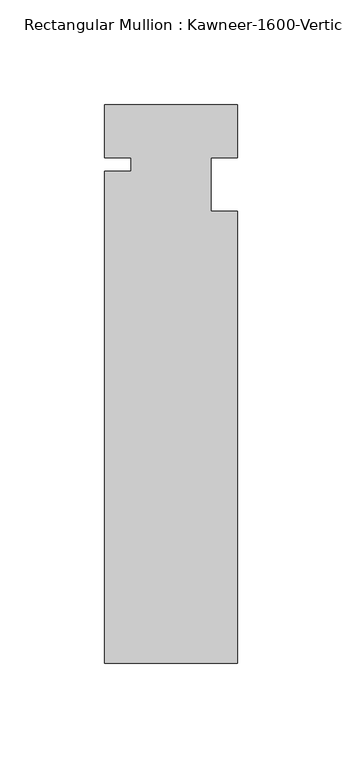
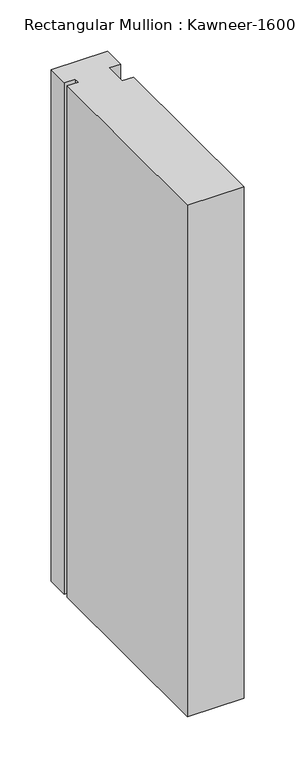
"""IFC4 building model written with IfcOpenShell, lengths in millimetres: member geometry."""

from ifc_helpers import new_model, si_unit, frame, origin, place, context, project, spatial, polyline, outline, extrude, source, transform, mapped, element, save


def member_d5b8aba5(model_context):
    return source(origin(), model_context, "Body", "SweptSolid", [
        extrude(outline(polyline([(31.75, -228.6), (-31.75, -228.6), (-31.75, 6.35), (-19.05, 6.35), (-19.05, 12.7), (-31.75, 12.7), (-31.75, 38.1), (31.75, 38.1), (31.75, 12.7), (19.05, 12.7), (19.05, -12.7), (31.75, -12.7), (31.75, -228.6)])), frame((0.0, 0.0, -609.6), z_axis=(0.0, 0.0, 1.0), x_axis=(1.0, 0.0, 0.0)), (0.0, 0.0, 1.0), 609.6),
    ])


if __name__ == "__main__":
    model = new_model("IFC4")
    model_context = context("Model", 3, world=origin())
    ifc_project = project(units=[si_unit("LENGTHUNIT", "METRE", prefix="MILLI")], contexts=[model_context])
    site = spatial("IfcSite", under=ifc_project)
    building = spatial("IfcBuilding", under=site)
    placement = place(None, origin())
    member_shape = member_d5b8aba5(model_context)
    element("IfcMember", 1, ObjectType="Rectangular Mullion : Kawneer-1600-Vertical_Interior-System1-10_1/2\"-1\"_1/4\"Infill", at=placement, inside=building, context=model_context, shape_type="MappedRepresentation", body=[
        mapped(member_shape, transform((0.0, 0.0, 0.0), x_axis=(1.0, 0.0, 0.0), y_axis=(0.0, 1.0, 0.0), z_axis=(0.0, 0.0, 1.0))),
    ])
    save(model, "model.ifc")
